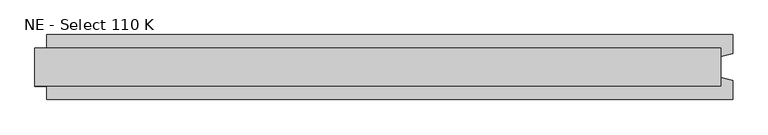
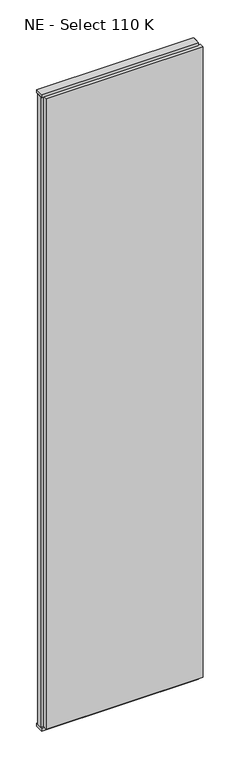
"""IFC4 building model written with IfcOpenShell, lengths in millimetres: plate geometry, NE - Select 110 K."""

from ifc_helpers import new_model, si_unit, frame, origin, origin_with_axes, place, context, project, spatial, polyline, outline, extrude, source, transform, mapped, element, save


def ne_select_110_k_38bfa8c8(model_context):
    return source(origin(), model_context, "Body", "SweptSolid", [
        extrude(outline(polyline([(602.9166667, 55.0), (602.9166667, 22.9993165), (582.9166667, 17.6401049), (582.9166667, -17.6401049), (602.9166667, -22.9993165), (602.9166667, -55.0), (-562.9166667, -55.0), (-562.9166667, -22.9993165), (-582.9166667, -17.6401049), (-582.9166667, 17.6401049), (-562.9166667, 22.9993165), (-562.9166667, 55.0), (602.9166667, 55.0)])), frame((0.0, 0.0, 25.0), z_axis=(0.0, 0.0, 1.0), x_axis=(1.0, 0.0, 0.0)), (0.0, 0.0, 1.0), 4950.0),
        extrude(outline(polyline([(582.9166667, 32.0), (582.9166667, -32.0), (-582.9166667, -32.0), (-582.9166667, 32.0), (582.9166667, 32.0)])), origin_with_axes(), (0.0, 0.0, 1.0), 25.0),
        extrude(outline(polyline([(582.9166667, 32.0), (582.9166667, -32.0), (-582.9166667, -32.0), (-582.9166667, 32.0), (582.9166667, 32.0)])), frame((0.0, 0.0, 4975.0), z_axis=(0.0, 0.0, 1.0), x_axis=(1.0, 0.0, 0.0)), (0.0, 0.0, 1.0), 25.0),
    ])


if __name__ == "__main__":
    model = new_model("IFC4")
    model_context = context("Model", 3, world=origin())
    ifc_project = project(units=[si_unit("LENGTHUNIT", "METRE", prefix="MILLI")], contexts=[model_context])
    site = spatial("IfcSite", under=ifc_project)
    building = spatial("IfcBuilding", under=site)
    placement = place(None, origin())
    ne_select_110_k_shape = ne_select_110_k_38bfa8c8(model_context)
    element("IfcPlate", 1, ObjectType="NE - Select 110 K", at=placement, inside=building, context=model_context, shape_type="MappedRepresentation", body=[
        mapped(ne_select_110_k_shape, transform((0.0, 0.0, 0.0), x_axis=(1.0, 0.0, 0.0), y_axis=(0.0, 1.0, 0.0), z_axis=(0.0, 0.0, 1.0))),
    ])
    save(model, "model.ifc")
